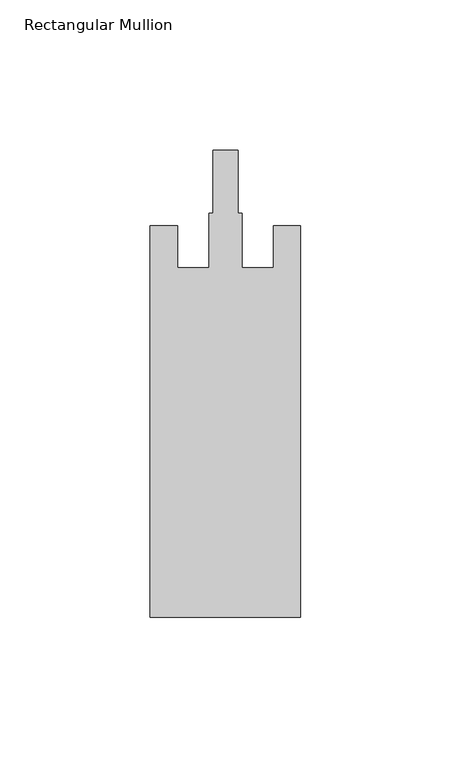
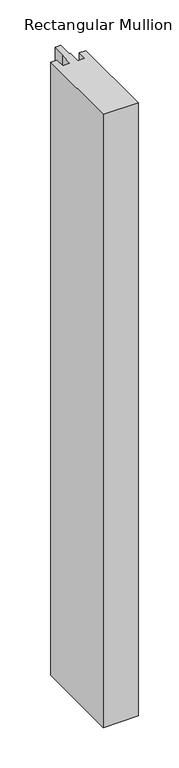
"""IFC4 building model written with IfcOpenShell, lengths in millimetres: member geometry, Rectangular Mullion."""

from ifc_helpers import new_model, si_unit, frame, origin, place, context, project, spatial, polyline, outline, extrude, source, transform, mapped, element, save


def rectangular_mullion_f7e6748a(model_context):
    return source(origin(), model_context, "Body", "SweptSolid", [
        extrude(outline(polyline([(0.0, -162.0), (-50.0, -162.0), (-50.0, -32.0), (-41.0, -32.0), (-41.0, -46.0), (-30.5, -46.0), (-30.5, -27.8), (-29.1, -27.8), (-29.1, -7.0), (-20.9, -7.0), (-20.9, -27.8), (-19.5, -27.8), (-19.5, -46.0), (-9.0, -46.0), (-9.0, -32.0), (0.0, -32.0), (0.0, -162.0)])), frame((0.0, 0.0, -925.0), z_axis=(0.0, 0.0, 1.0), x_axis=(1.0, 0.0, 0.0)), (0.0, 0.0, 1.0), 925.0),
    ])


if __name__ == "__main__":
    model = new_model("IFC4")
    model_context = context("Model", 3, world=origin())
    ifc_project = project(units=[si_unit("LENGTHUNIT", "METRE", prefix="MILLI")], contexts=[model_context])
    site = spatial("IfcSite", under=ifc_project)
    building = spatial("IfcBuilding", under=site)
    placement = place(None, origin())
    rectangular_mullion_shape = rectangular_mullion_f7e6748a(model_context)
    element("IfcMember", 1, ObjectType="Rectangular Mullion", at=placement, inside=building, context=model_context, shape_type="MappedRepresentation", body=[
        mapped(rectangular_mullion_shape, transform((0.0, 0.0, 0.0), x_axis=(1.0, 0.0, 0.0), y_axis=(0.0, 1.0, 0.0), z_axis=(0.0, 0.0, 1.0))),
    ])
    save(model, "model.ifc")
